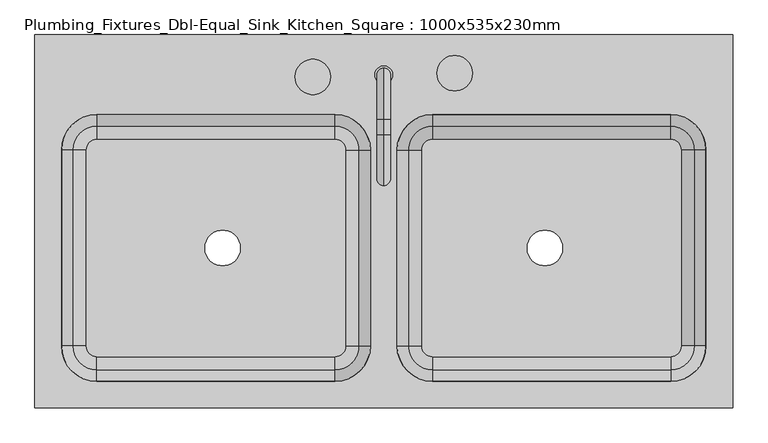
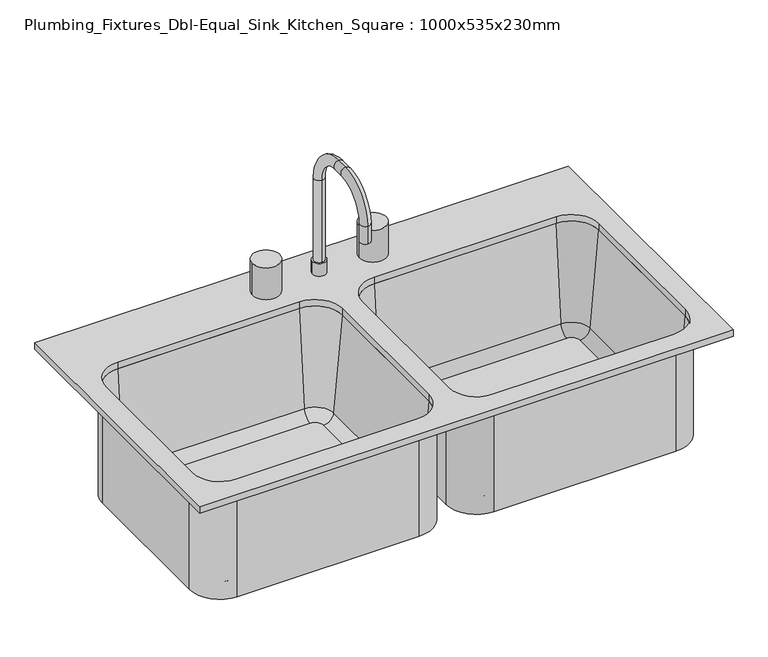
"""IFC4 building model written with IfcOpenShell, lengths in millimetres: flow terminal geometry, Plumbing_Fixtures_Dbl-Equal_Sink_Kitchen_Square : 1000x535x230mm."""

from ifc_helpers import new_model, si_unit, point, frame, frame_2d, origin, place, context, project, spatial, polyline, circle_curve, ellipse_curve, trimmed, segment, composite_curve, outline, extrude, source, transform, mapped, element, save
from ifc_brep_helpers import plane_surface, cylinder_surface, revolved_surface, advanced_brep


def plumbing_fixtures_dbl_equal_sink_kitchen_square_bc591ed5(model_context):
    return source(origin(), model_context, "Body", "SolidModel", [
        extrude(outline(polyline([(515.6892406, 269.8454011), (515.6892406, -265.1545989), (-484.3107594, -265.1545989), (-484.3107594, 269.8454011), (515.6892406, 269.8454011)]), holes=[composite_curve([segment(polyline([(-54.1607594, 155.5454011), (-395.4107594, 155.5454011)]), True, "CONTINUOUS"), segment(trimmed(circle_curve(frame_2d((-395.4107594, 104.7454011)), 50.8), [point((-395.4107594, 155.5454011))], [point((-446.2107594, 104.7454011))], True, "CARTESIAN"), True, "CONTINUOUS"), segment(polyline([(-446.2107594, 104.7454011), (-446.2107594, -176.2545989)]), True, "CONTINUOUS"), segment(trimmed(circle_curve(frame_2d((-395.4107594, -176.2545989)), 50.8), [point((-446.2107594, -176.2545989))], [point((-395.4107594, -227.0545989))], True, "CARTESIAN"), True, "CONTINUOUS"), segment(polyline([(-395.4107594, -227.0545989), (-54.1607594, -227.0545989)]), True, "CONTINUOUS"), segment(trimmed(circle_curve(frame_2d((-54.1607594, -176.2545989)), 50.8), [point((-54.1607594, -227.0545989))], [point((-3.3607594, -176.2545989))], True, "CARTESIAN"), True, "CONTINUOUS"), segment(polyline([(-3.3607594, -176.2545989), (-3.3607594, 104.7454011)]), True, "CONTINUOUS"), segment(trimmed(circle_curve(frame_2d((-54.1607594, 104.7454011)), 50.8), [point((-3.3607594, 104.7454011))], [point((-54.1607594, 155.5454011))], True, "CARTESIAN"), True, "CONTINUOUS")], self_intersect=False), composite_curve([segment(polyline([(85.5392406, -227.0545989), (426.7892406, -227.0545989)]), True, "CONTINUOUS"), segment(trimmed(circle_curve(frame_2d((426.7892406, -176.2545989)), 50.8), [point((426.7892406, -227.0545989))], [point((477.5892406, -176.2545989))], True, "CARTESIAN"), True, "CONTINUOUS"), segment(polyline([(477.5892406, -176.2545989), (477.5892406, 104.7454011)]), True, "CONTINUOUS"), segment(trimmed(circle_curve(frame_2d((426.7892406, 104.7454011)), 50.8), [point((477.5892406, 104.7454011))], [point((426.7892406, 155.5454011))], True, "CARTESIAN"), True, "CONTINUOUS"), segment(polyline([(426.7892406, 155.5454011), (85.5392406, 155.5454011)]), True, "CONTINUOUS"), segment(trimmed(circle_curve(frame_2d((85.5392406, 104.7454011)), 50.8), [point((85.5392406, 155.5454011))], [point((34.7392406, 104.7454011))], True, "CARTESIAN"), True, "CONTINUOUS"), segment(polyline([(34.7392406, 104.7454011), (34.7392406, -176.2545989)]), True, "CONTINUOUS"), segment(trimmed(circle_curve(frame_2d((85.5392406, -176.2545989)), 50.8), [point((34.7392406, -176.2545989))], [point((85.5392406, -227.0545989))], True, "CARTESIAN"), True, "CONTINUOUS")], self_intersect=False)]), frame((0.0, 0.0, 900.0), z_axis=(0.0, 0.0, 1.0), x_axis=(1.0, 0.0, 0.0)), (0.0, 0.0, 1.0), 12.7),
        extrude(outline(composite_curve([segment(trimmed(circle_curve(frame_2d((-85.9107594, 209.6166076)), 25.4), [point((-111.3107594, 209.6166076))], [point((-60.5107594, 209.6166076))], False, "CARTESIAN"), True, "CONTINUOUS"), segment(trimmed(circle_curve(frame_2d((-85.9107594, 209.6166076)), 25.4), [point((-60.5107594, 209.6166076))], [point((-111.3107594, 209.6166076))], False, "CARTESIAN"), True, "CONTINUOUS")], self_intersect=False)), frame((0.0, 0.0, 912.7), z_axis=(0.0, 0.0, 1.0), x_axis=(1.0, 0.0, 0.0)), (0.0, 0.0, 1.0), 63.5),
        extrude(outline(composite_curve([segment(trimmed(circle_curve(frame_2d((117.2892406, 214.8133323)), 25.4), [point((91.8892406, 214.8133323))], [point((142.6892406, 214.8133323))], False, "CARTESIAN"), True, "CONTINUOUS"), segment(trimmed(circle_curve(frame_2d((117.2892406, 214.8133323)), 25.4), [point((142.6892406, 214.8133323))], [point((91.8892406, 214.8133323))], False, "CARTESIAN"), True, "CONTINUOUS")], self_intersect=False)), frame((0.0, 0.0, 912.7), z_axis=(0.0, 0.0, 1.0), x_axis=(1.0, 0.0, 0.0)), (0.0, 0.0, 1.0), 63.5),
        advanced_brep(
        [(2.9892406, 212.6954011, 912.7), (28.3892406, 212.6954011, 912.7), (15.6892406, 222.2204011, 1100.025), (15.6892406, 203.1704011, 1100.025), (15.6892406, 203.1704011, 938.1), (15.6892406, 222.2204011, 938.1), (15.6892406, 149.1954011, 1173.05), (15.6892406, 149.1954011, 1154.0), (15.6892406, 126.9704011, 1173.05), (15.6892406, 126.9704011, 1154.0), (15.6892406, 53.9454011, 1100.025), (15.6892406, 72.9954011, 1100.025), (15.6892406, 53.9454011, 1065.1), (15.6892406, 72.9954011, 1065.1), (2.9892406, 212.6954011, 938.1), (28.3892406, 212.6954011, 938.1)],
        [
            (0, 1, circle_curve(frame((15.6892406, 212.6954011, 912.7), z_axis=(0.0, 0.0, -1.0), x_axis=(1.0, 0.0, 0.0)), 12.7)),
            (1, 0, circle_curve(frame((15.6892406, 212.6954011, 912.7), z_axis=(0.0, 0.0, -1.0), x_axis=(1.0, 0.0, 0.0)), 12.7)),
            (2, 3, circle_curve(frame((15.6892406, 212.6954011, 1100.025), z_axis=(0.0, 0.0, -1.0), x_axis=(0.0, -1.0, 0.0)), 9.525)),
            (3, 4),
            (4, 5, circle_curve(frame((15.6892406, 212.6954011, 938.1), z_axis=(0.0, 0.0, 1.0), x_axis=(0.0, -1.0, 0.0)), 9.525)),
            (5, 2),
            (3, 2, circle_curve(frame((15.6892406, 212.6954011, 1100.025), z_axis=(0.0, 0.0, -1.0), x_axis=(0.0, -1.0, 0.0)), 9.525)),
            (5, 4, circle_curve(frame((15.6892406, 212.6954011, 938.1), z_axis=(0.0, 0.0, 1.0), x_axis=(0.0, -1.0, 0.0)), 9.525)),
            (2, 6, circle_curve(frame((15.6892406, 149.1954011, 1100.025), z_axis=(1.0, 0.0, 0.0), x_axis=(0.0, 1.0, 0.0)), 73.025)),
            (6, 7, circle_curve(frame((15.6892406, 149.1954011, 1163.525), z_axis=(0.0, 1.0, 0.0), x_axis=(0.0, 0.0, -1.0)), 9.525)),
            (7, 3, circle_curve(frame((15.6892406, 149.1954011, 1100.025), z_axis=(-1.0, 0.0, 0.0), x_axis=(0.0, 1.0, 0.0)), 53.975)),
            (7, 6, circle_curve(frame((15.6892406, 149.1954011, 1163.525), z_axis=(0.0, 1.0, 0.0), x_axis=(0.0, 0.0, -1.0)), 9.525)),
            (6, 8),
            (8, 9, circle_curve(frame((15.6892406, 126.9704011, 1163.525), z_axis=(0.0, 1.0, 0.0), x_axis=(0.0, 0.0, -1.0)), 9.525)),
            (9, 7),
            (9, 8, circle_curve(frame((15.6892406, 126.9704011, 1163.525), z_axis=(0.0, 1.0, 0.0), x_axis=(0.0, 0.0, -1.0)), 9.525)),
            (8, 10, circle_curve(frame((15.6892406, 126.9704011, 1100.025), z_axis=(1.0, 0.0, 0.0), x_axis=(0.0, 0.0, 1.0)), 73.025)),
            (10, 11, circle_curve(frame((15.6892406, 63.4704011, 1100.025), z_axis=(0.0, 0.0, 1.0), x_axis=(0.0, 1.0, 0.0)), 9.525)),
            (11, 9, circle_curve(frame((15.6892406, 126.9704011, 1100.025), z_axis=(-1.0, 0.0, 0.0), x_axis=(0.0, 0.0, 1.0)), 53.975)),
            (11, 10, circle_curve(frame((15.6892406, 63.4704011, 1100.025), z_axis=(0.0, 0.0, 1.0), x_axis=(0.0, 1.0, 0.0)), 9.525)),
            (12, 13, circle_curve(frame((15.6892406, 63.4704011, 1065.1), z_axis=(0.0, 0.0, -1.0), x_axis=(0.0, 1.0, 0.0)), 9.525)),
            (13, 12, circle_curve(frame((15.6892406, 63.4704011, 1065.1), z_axis=(0.0, 0.0, -1.0), x_axis=(0.0, 1.0, 0.0)), 9.525)),
            (10, 12),
            (13, 11),
            (14, 15, circle_curve(frame((15.6892406, 212.6954011, 938.1), z_axis=(0.0, 0.0, 1.0), x_axis=(1.0, 0.0, 0.0)), 12.7)),
            (15, 14, circle_curve(frame((15.6892406, 212.6954011, 938.1), z_axis=(0.0, 0.0, 1.0), x_axis=(1.0, 0.0, 0.0)), 12.7)),
            (14, 0),
            (1, 15),
        ],
        [
            plane_surface(frame((15.6892406, 203.1704011, 912.7), z_axis=(0.0, 0.0, -1.0), x_axis=(1.0, 0.0, 0.0))),
            cylinder_surface(frame((15.6892406, 212.6954011, 912.7), z_axis=(0.0, 0.0, -1.0), x_axis=(0.0, -1.0, 0.0)), 9.525),
            revolved_surface(trimmed(ellipse_curve(frame((15.6892406, 212.6954011, 1100.025), z_axis=(0.0, 0.0, -1.0), x_axis=(0.0, -1.0, 0.0)), 9.525, 9.525), [point((15.6892406, 222.2204011, 1100.025))], [point((15.6892406, 203.1704011, 1100.025))], True, "CARTESIAN"), (15.6892406, 149.1954011, 1100.025), (1.0, 0.0, 0.0)),
            revolved_surface(trimmed(ellipse_curve(frame((15.6892406, 212.6954011, 1100.025), z_axis=(0.0, 0.0, -1.0), x_axis=(0.0, -1.0, 0.0)), 9.525, 9.525), [point((15.6892406, 203.1704011, 1100.025))], [point((15.6892406, 222.2204011, 1100.025))], True, "CARTESIAN"), (15.6892406, 149.1954011, 1100.025), (1.0, 0.0, 0.0)),
            cylinder_surface(frame((15.6892406, 149.1954011, 1163.525), z_axis=(0.0, 1.0, 0.0), x_axis=(0.0, 0.0, -1.0)), 9.525),
            revolved_surface(trimmed(ellipse_curve(frame((15.6892406, 126.9704011, 1163.525), z_axis=(0.0, 1.0, 0.0), x_axis=(0.0, 0.0, -1.0)), 9.525, 9.525), [point((15.6892406, 126.9704011, 1173.05))], [point((15.6892406, 126.9704011, 1154.0))], True, "CARTESIAN"), (15.6892406, 126.9704011, 1100.025), (1.0, 0.0, 0.0)),
            revolved_surface(trimmed(ellipse_curve(frame((15.6892406, 126.9704011, 1163.525), z_axis=(0.0, 1.0, 0.0), x_axis=(0.0, 0.0, -1.0)), 9.525, 9.525), [point((15.6892406, 126.9704011, 1154.0))], [point((15.6892406, 126.9704011, 1173.05))], True, "CARTESIAN"), (15.6892406, 126.9704011, 1100.025), (1.0, 0.0, 0.0)),
            plane_surface(frame((15.6892406, 53.9454011, 1065.1), z_axis=(0.0, 0.0, -1.0), x_axis=(-1.0, 0.0, 0.0))),
            cylinder_surface(frame((15.6892406, 63.4704011, 1100.025), z_axis=(0.0, 0.0, 1.0), x_axis=(0.0, 1.0, 0.0)), 9.525),
            plane_surface(frame((28.3892406, 212.6954011, 938.1), z_axis=(0.0, 0.0, 1.0), x_axis=(0.0, 1.0, 0.0))),
            cylinder_surface(frame((15.6892406, 212.6954011, 912.7), z_axis=(0.0, 0.0, 1.0), x_axis=(1.0, 0.0, 0.0)), 12.7),
        ],
        [
            (0, [[1, 2]]),
            (1, [[3, 4, 5, 6]]),
            (1, [[7, -6, 8, -4]]),
            (2, [[-3, 9, 10, 11]]),
            (3, [[-7, -11, 12, -9]]),
            (4, [[-10, 13, 14, 15]]),
            (4, [[-12, -15, 16, -13]]),
            (5, [[-14, 17, 18, 19]]),
            (6, [[-16, -19, 20, -17]]),
            (7, [[21, 22]]),
            (8, [[-18, 23, -22, 24]]),
            (8, [[-20, -24, -21, -23]]),
            (9, [[25, 26], [-5, -8]]),
            (10, [[-25, 27, -2, 28]]),
            (10, [[-26, -28, -1, -27]]),
        ],
    ),
        advanced_brep(
        [(-38.8723412, 104.7454011, 693.625), (-54.1607594, 120.0338193, 693.625), (-395.4107594, 120.0338193, 693.625), (-410.6991776, 104.7454011, 693.625), (-410.6991776, -176.2545989, 693.625), (-395.4107594, -191.5430171, 693.625), (-54.1607594, -191.5430171, 693.625), (-38.8723412, -176.2545989, 693.625), (-240.6607594, -35.7545989, 693.625), (-189.8607594, -35.7545989, 693.625), (-452.5607594, 104.7454011, 684.1), (-395.4107594, 161.8954011, 684.1), (-54.1607594, 161.8954011, 684.1), (2.9892406, 104.7454011, 684.1), (2.9892406, -176.2545989, 684.1), (-54.1607594, -233.4045989, 684.1), (-395.4107594, -233.4045989, 684.1), (-452.5607594, -176.2545989, 684.1), (-240.6607594, -35.7545989, 684.1), (-189.8607594, -35.7545989, 684.1), (-54.1607594, 161.8954011, 900.0), (2.9892406, 104.7454011, 900.0), (-19.8948322, 104.7454011, 711.0146831), (-54.1607594, 139.0113283, 711.0146831), (-3.3607594, 104.7454011, 900.0), (-54.1607594, 155.5454011, 900.0), (2.9892406, -176.2545989, 900.0), (-19.8948322, -176.2545989, 711.0146831), (-3.3607594, -176.2545989, 900.0), (-54.1607594, -233.4045989, 900.0), (-54.1607594, -210.5205261, 711.0146831), (-54.1607594, -227.0545989, 900.0), (-395.4107594, -233.4045989, 900.0), (-395.4107594, -210.5205261, 711.0146831), (-395.4107594, -227.0545989, 900.0), (-452.5607594, -176.2545989, 900.0), (-429.6766866, -176.2545989, 711.0146831), (-446.2107594, -176.2545989, 900.0), (-452.5607594, 104.7454011, 900.0), (-429.6766866, 104.7454011, 711.0146831), (-446.2107594, 104.7454011, 900.0), (-395.4107594, 161.8954011, 900.0), (-395.4107594, 139.0113283, 711.0146831), (-395.4107594, 155.5454011, 900.0)],
        [
            (0, 1, circle_curve(frame((-54.1607594, 104.7454011, 693.625), z_axis=(0.0, 0.0, 1.0), x_axis=(0.0, 1.0, 0.0)), 15.2884182)),
            (1, 2),
            (2, 3, circle_curve(frame((-395.4107594, 104.7454011, 693.625), z_axis=(0.0, 0.0, 1.0), x_axis=(-1.0, 0.0, 0.0)), 15.2884182)),
            (3, 4),
            (4, 5, circle_curve(frame((-395.4107594, -176.2545989, 693.625), z_axis=(0.0, 0.0, 1.0), x_axis=(0.0, -1.0, 0.0)), 15.2884182)),
            (5, 6),
            (6, 7, circle_curve(frame((-54.1607594, -176.2545989, 693.625), z_axis=(0.0, 0.0, 1.0), x_axis=(1.0, 0.0, 0.0)), 15.2884182)),
            (7, 0),
            (8, 9, circle_curve(frame((-215.2607594, -35.7545989, 693.625), z_axis=(0.0, 0.0, -1.0), x_axis=(1.0, 0.0, 0.0)), 25.4)),
            (9, 8, circle_curve(frame((-215.2607594, -35.7545989, 693.625), z_axis=(0.0, 0.0, -1.0), x_axis=(1.0, 0.0, 0.0)), 25.4)),
            (10, 11, circle_curve(frame((-395.4107594, 104.7454011, 684.1), z_axis=(0.0, 0.0, -1.0), x_axis=(-1.0, 0.0, 0.0)), 57.15)),
            (11, 12),
            (12, 13, circle_curve(frame((-54.1607594, 104.7454011, 684.1), z_axis=(0.0, 0.0, -1.0), x_axis=(0.0, 1.0, 0.0)), 57.15)),
            (13, 14),
            (14, 15, circle_curve(frame((-54.1607594, -176.2545989, 684.1), z_axis=(0.0, 0.0, -1.0), x_axis=(1.0, 0.0, 0.0)), 57.15)),
            (15, 16),
            (16, 17, circle_curve(frame((-395.4107594, -176.2545989, 684.1), z_axis=(0.0, 0.0, -1.0), x_axis=(0.0, -1.0, 0.0)), 57.15)),
            (17, 10),
            (18, 19, circle_curve(frame((-215.2607594, -35.7545989, 684.1), z_axis=(0.0, 0.0, 1.0), x_axis=(1.0, 0.0, 0.0)), 25.4)),
            (19, 18, circle_curve(frame((-215.2607594, -35.7545989, 684.1), z_axis=(0.0, 0.0, 1.0), x_axis=(1.0, 0.0, 0.0)), 25.4)),
            (8, 18),
            (19, 9),
            (12, 20),
            (20, 21, circle_curve(frame((-54.1607594, 104.7454011, 900.0), z_axis=(0.0, 0.0, -1.0), x_axis=(0.0, 1.0, 0.0)), 57.15)),
            (21, 13),
            (0, 22, circle_curve(frame((-38.8723412, 104.7454011, 712.675), z_axis=(0.0, -1.0, 0.0), x_axis=(1.0, 0.0, 0.0)), 19.05)),
            (22, 23, circle_curve(frame((-54.1607594, 104.7454011, 711.0146831), z_axis=(0.0, 0.0, 1.0), x_axis=(0.0, 1.0, 0.0)), 34.2659272)),
            (23, 1, circle_curve(frame((-54.1607594, 120.0338193, 712.675), z_axis=(-1.0, 0.0, 0.0), x_axis=(0.0, 1.0, 0.0)), 19.05)),
            (22, 24),
            (24, 25, circle_curve(frame((-54.1607594, 104.7454011, 900.0), z_axis=(0.0, 0.0, 1.0), x_axis=(0.0, 1.0, 0.0)), 50.8)),
            (25, 23),
            (20, 25),
            (24, 21),
            (21, 26),
            (26, 14),
            (7, 27, circle_curve(frame((-38.8723412, -176.2545989, 712.675), z_axis=(0.0, -1.0, 0.0), x_axis=(1.0, 0.0, 0.0)), 19.05)),
            (27, 22),
            (27, 28),
            (28, 24),
            (28, 26),
            (26, 29, circle_curve(frame((-54.1607594, -176.2545989, 900.0), z_axis=(0.0, 0.0, -1.0), x_axis=(1.0, 0.0, 0.0)), 57.15)),
            (29, 15),
            (6, 30, circle_curve(frame((-54.1607594, -191.5430171, 712.675), z_axis=(-1.0, 0.0, 0.0), x_axis=(0.0, -1.0, 0.0)), 19.05)),
            (30, 27, circle_curve(frame((-54.1607594, -176.2545989, 711.0146831), z_axis=(0.0, 0.0, 1.0), x_axis=(1.0, 0.0, 0.0)), 34.2659272)),
            (30, 31),
            (31, 28, circle_curve(frame((-54.1607594, -176.2545989, 900.0), z_axis=(0.0, 0.0, 1.0), x_axis=(1.0, 0.0, 0.0)), 50.8)),
            (31, 29),
            (29, 32),
            (32, 16),
            (5, 33, circle_curve(frame((-395.4107594, -191.5430171, 712.675), z_axis=(-1.0, 0.0, 0.0), x_axis=(0.0, -1.0, 0.0)), 19.05)),
            (33, 30),
            (33, 34),
            (34, 31),
            (34, 32),
            (32, 35, circle_curve(frame((-395.4107594, -176.2545989, 900.0), z_axis=(0.0, 0.0, -1.0), x_axis=(0.0, -1.0, 0.0)), 57.15)),
            (35, 17),
            (4, 36, circle_curve(frame((-410.6991776, -176.2545989, 712.675), z_axis=(0.0, 1.0, 0.0), x_axis=(-1.0, 0.0, 0.0)), 19.05)),
            (36, 33, circle_curve(frame((-395.4107594, -176.2545989, 711.0146831), z_axis=(0.0, 0.0, 1.0), x_axis=(0.0, -1.0, 0.0)), 34.2659272)),
            (36, 37),
            (37, 34, circle_curve(frame((-395.4107594, -176.2545989, 900.0), z_axis=(0.0, 0.0, 1.0), x_axis=(0.0, -1.0, 0.0)), 50.8)),
            (37, 35),
            (35, 38),
            (38, 10),
            (3, 39, circle_curve(frame((-410.6991776, 104.7454011, 712.675), z_axis=(0.0, 1.0, 0.0), x_axis=(-1.0, 0.0, 0.0)), 19.05)),
            (39, 36),
            (39, 40),
            (40, 37),
            (40, 38),
            (38, 41, circle_curve(frame((-395.4107594, 104.7454011, 900.0), z_axis=(0.0, 0.0, -1.0), x_axis=(-1.0, 0.0, 0.0)), 57.15)),
            (41, 11),
            (2, 42, circle_curve(frame((-395.4107594, 120.0338193, 712.675), z_axis=(1.0, 0.0, 0.0), x_axis=(0.0, 1.0, 0.0)), 19.05)),
            (42, 39, circle_curve(frame((-395.4107594, 104.7454011, 711.0146831), z_axis=(0.0, 0.0, 1.0), x_axis=(-1.0, 0.0, 0.0)), 34.2659272)),
            (42, 43),
            (43, 40, circle_curve(frame((-395.4107594, 104.7454011, 900.0), z_axis=(0.0, 0.0, 1.0), x_axis=(-1.0, 0.0, 0.0)), 50.8)),
            (43, 41),
            (41, 20),
            (23, 42),
            (25, 43),
        ],
        [
            plane_surface(frame((-395.4107594, 117.4454011, 693.625), z_axis=(0.0, 0.0, 1.0), x_axis=(-1.0, 0.0, 0.0))),
            plane_surface(frame((-395.4107594, 117.4454011, 684.1), z_axis=(0.0, 0.0, -1.0), x_axis=(1.0, 0.0, 0.0))),
            revolved_surface(polyline([(-189.8607594, -35.7545989, 684.1), (-189.8607594, -35.7545989, 693.625)]), (-215.2607594, -35.7545989, 0.0), (0.0, 0.0, -1.0)),
            cylinder_surface(frame((-54.1607594, 104.7454011, 0.0), z_axis=(0.0, 0.0, -1.0), x_axis=(0.0, 1.0, 0.0)), 57.15),
            revolved_surface(trimmed(ellipse_curve(frame((-54.1607594, 120.0338193, 712.675), z_axis=(1.0, 0.0, 0.0), x_axis=(0.0, 1.0, 0.0)), 19.05, 19.05), [point((-54.1607594, 120.0338193, 693.625))], [point((-54.1607594, 139.0113283, 711.0146831))], True, "CARTESIAN"), (-54.1607594, 104.7454011, 0.0), (0.0, 0.0, -1.0)),
            revolved_surface(polyline([(-54.1607594, 139.0113283, 711.0146831), (-54.1607594, 155.5454011, 900.0)]), (-54.1607594, 104.7454011, 0.0), (0.0, 0.0, -1.0)),
            plane_surface(frame((-54.1607594, 104.7454011, 900.0), z_axis=(0.0, 0.0, 1.0), x_axis=(0.0, 1.0, 0.0))),
            plane_surface(frame((2.9892406, 104.7454011, 900.0), z_axis=(1.0, 0.0, 0.0), x_axis=(0.0, -1.0, 0.0))),
            revolved_surface(polyline([(-19.8223412, -176.25459890000002, 712.675), (-19.8223412, 104.7454011, 712.675)]), (-38.8723412, 104.7454011, 712.675), (0.0, -1.0, 0.0)),
            plane_surface(frame((-19.8948322, 104.7454011, 711.0146831), z_axis=(-0.9961946980917439, 0.0, 0.08715574274767772), x_axis=(0.0, -1.0, 0.0))),
            plane_surface(frame((-3.3607594, 104.7454011, 900.0), z_axis=(0.0, 0.0, 1.0), x_axis=(0.0, -1.0, 0.0))),
            cylinder_surface(frame((-54.1607594, -176.2545989, 0.0), z_axis=(0.0, 0.0, -1.0), x_axis=(1.0, 0.0, 0.0)), 57.15),
            revolved_surface(trimmed(ellipse_curve(frame((-38.8723412, -176.2545989, 712.675), z_axis=(0.0, -1.0, 0.0), x_axis=(1.0, 0.0, 0.0)), 19.05, 19.05), [point((-38.8723412, -176.2545989, 693.625))], [point((-19.8948322, -176.2545989, 711.0146831))], True, "CARTESIAN"), (-54.1607594, -176.2545989, 0.0), (0.0, 0.0, -1.0)),
            revolved_surface(polyline([(-19.8948322, -176.2545989, 711.0146831), (-3.3607594, -176.2545989, 900.0)]), (-54.1607594, -176.2545989, 0.0), (0.0, 0.0, -1.0)),
            plane_surface(frame((-54.1607594, -176.2545989, 900.0), z_axis=(0.0, 0.0, 1.0), x_axis=(1.0, 0.0, 0.0))),
            plane_surface(frame((-54.1607594, -233.4045989, 900.0), z_axis=(0.0, -1.0, 0.0), x_axis=(-1.0, 0.0, 0.0))),
            revolved_surface(polyline([(-395.4107594, -210.5930171, 712.675), (-54.1607594, -210.5930171, 712.675)]), (-54.1607594, -191.5430171, 712.675), (-1.0, 0.0, 0.0)),
            plane_surface(frame((-54.1607594, -210.5205261, 711.0146831), z_axis=(0.0, 0.9961946980917439, 0.08715574274767772), x_axis=(-1.0, 0.0, 0.0))),
            plane_surface(frame((-54.1607594, -227.0545989, 900.0), z_axis=(0.0, 0.0, 1.0), x_axis=(-1.0, 0.0, 0.0))),
            cylinder_surface(frame((-395.4107594, -176.2545989, 0.0), z_axis=(0.0, 0.0, -1.0), x_axis=(0.0, -1.0, 0.0)), 57.15),
            revolved_surface(trimmed(ellipse_curve(frame((-395.4107594, -191.5430171, 712.675), z_axis=(-1.0, 0.0, 0.0), x_axis=(0.0, -1.0, 0.0)), 19.05, 19.05), [point((-395.4107594, -191.5430171, 693.625))], [point((-395.4107594, -210.5205261, 711.0146831))], True, "CARTESIAN"), (-395.4107594, -176.2545989, 0.0), (0.0, 0.0, -1.0)),
            revolved_surface(polyline([(-395.4107594, -210.5205261, 711.0146831), (-395.4107594, -227.0545989, 900.0)]), (-395.4107594, -176.2545989, 0.0), (0.0, 0.0, -1.0)),
            plane_surface(frame((-395.4107594, -176.2545989, 900.0), z_axis=(0.0, 0.0, 1.0), x_axis=(0.0, -1.0, 0.0))),
            plane_surface(frame((-452.5607594, -176.2545989, 900.0), z_axis=(-1.0, 0.0, 0.0), x_axis=(0.0, 1.0, 0.0))),
            revolved_surface(polyline([(-429.7491776, 104.74540110000001, 712.675), (-429.7491776, -176.2545989, 712.675)]), (-410.6991776, -176.2545989, 712.675), (0.0, 1.0, 0.0)),
            plane_surface(frame((-429.6766866, -176.2545989, 711.0146831), z_axis=(0.9961946980917439, 0.0, 0.08715574274767772), x_axis=(0.0, 1.0, 0.0))),
            plane_surface(frame((-446.2107594, -176.2545989, 900.0), z_axis=(0.0, 0.0, 1.0), x_axis=(0.0, 1.0, 0.0))),
            cylinder_surface(frame((-395.4107594, 104.7454011, 0.0), z_axis=(0.0, 0.0, -1.0), x_axis=(-1.0, 0.0, 0.0)), 57.15),
            revolved_surface(trimmed(ellipse_curve(frame((-410.6991776, 104.7454011, 712.675), z_axis=(0.0, 1.0, 0.0), x_axis=(-1.0, 0.0, 0.0)), 19.05, 19.05), [point((-410.6991776, 104.7454011, 693.625))], [point((-429.6766866, 104.7454011, 711.0146831))], True, "CARTESIAN"), (-395.4107594, 104.7454011, 0.0), (0.0, 0.0, -1.0)),
            revolved_surface(polyline([(-429.6766866, 104.7454011, 711.0146831), (-446.2107594, 104.7454011, 900.0)]), (-395.4107594, 104.7454011, 0.0), (0.0, 0.0, -1.0)),
            plane_surface(frame((-395.4107594, 104.7454011, 900.0), z_axis=(0.0, 0.0, 1.0), x_axis=(-1.0, 0.0, 0.0))),
            plane_surface(frame((-395.4107594, 161.8954011, 900.0), z_axis=(0.0, 1.0, 0.0), x_axis=(1.0, 0.0, 0.0))),
            revolved_surface(polyline([(-54.16075940000002, 139.08381930000002, 712.675), (-395.4107594, 139.08381930000002, 712.675)]), (-395.4107594, 120.0338193, 712.675), (1.0, 0.0, 0.0)),
            plane_surface(frame((-395.4107594, 139.0113283, 711.0146831), z_axis=(0.0, -0.9961946980917439, 0.08715574274767772), x_axis=(1.0, 0.0, 0.0))),
            plane_surface(frame((-395.4107594, 155.5454011, 900.0), z_axis=(0.0, 0.0, 1.0), x_axis=(1.0, 0.0, 0.0))),
        ],
        [
            (0, [[1, 2, 3, 4, 5, 6, 7, 8], [9, 10]]),
            (1, [[11, 12, 13, 14, 15, 16, 17, 18], [19, 20]]),
            (2, [[-9, 21, -20, 22]]),
            (2, [[-10, -22, -19, -21]]),
            (3, [[-13, 23, 24, 25]]),
            (4, [[-1, 26, 27, 28]]),
            (5, [[-27, 29, 30, 31]]),
            (6, [[-24, 32, -30, 33]]),
            (7, [[-25, 34, 35, -14]]),
            (8, [[-26, -8, 36, 37]]),
            (9, [[-29, -37, 38, 39]]),
            (10, [[-33, -39, 40, -34]]),
            (11, [[-35, 41, 42, -15]]),
            (12, [[-36, -7, 43, 44]]),
            (13, [[-38, -44, 45, 46]]),
            (14, [[-40, -46, 47, -41]]),
            (15, [[-42, 48, 49, -16]]),
            (16, [[-43, -6, 50, 51]]),
            (17, [[-45, -51, 52, 53]]),
            (18, [[-47, -53, 54, -48]]),
            (19, [[-49, 55, 56, -17]]),
            (20, [[-50, -5, 57, 58]]),
            (21, [[-52, -58, 59, 60]]),
            (22, [[-54, -60, 61, -55]]),
            (23, [[-56, 62, 63, -18]]),
            (24, [[-57, -4, 64, 65]]),
            (25, [[-59, -65, 66, 67]]),
            (26, [[-61, -67, 68, -62]]),
            (27, [[-63, 69, 70, -11]]),
            (28, [[-64, -3, 71, 72]]),
            (29, [[-66, -72, 73, 74]]),
            (30, [[-68, -74, 75, -69]]),
            (31, [[-23, -12, -70, 76]]),
            (32, [[-28, 77, -71, -2]]),
            (33, [[-31, 78, -73, -77]]),
            (34, [[-32, -76, -75, -78]]),
        ],
    ),
        advanced_brep(
        [(426.7892303, 120.0338193, 693.625), (85.5392406, 120.0338193, 693.625), (70.2508224, 104.7454011, 693.625), (70.2508224, -176.2545989, 693.625), (85.5392406, -191.5430171, 693.625), (426.7892406, -191.5430171, 693.625), (442.0776588, -176.2545989, 693.625), (442.0776588, 104.7454011, 693.625), (221.2392406, -35.7545989, 693.625), (272.0392406, -35.7545989, 693.625), (28.3892406, 104.7454011, 684.1), (85.5392406, 161.8954011, 684.1), (426.7892406, 161.8954011, 684.1), (483.9392406, 104.7454011, 684.1), (483.9392406, -176.2545989, 684.1), (426.7892406, -233.4045989, 684.1), (85.5392406, -233.4045989, 684.1), (28.3892406, -176.2545989, 684.1), (221.2392406, -35.7545989, 684.1), (272.0392406, -35.7545989, 684.1), (34.7392406, 104.7454011, 900.0), (85.5392406, 155.5454011, 900.0), (85.5392406, 161.8954011, 900.0), (28.3892406, 104.7454011, 900.0), (51.2733134, 104.7454011, 711.0146831), (85.5392406, 139.0113283, 711.0146831), (28.3892406, -176.2545989, 900.0), (34.7392406, -176.2545989, 900.0), (51.2733134, -176.2545989, 711.0146831), (85.5392406, -233.4045989, 900.0), (85.5392406, -227.0545989, 900.0), (85.5392406, -210.5205261, 711.0146831), (426.7892406, -233.4045989, 900.0), (426.7892406, -227.0545989, 900.0), (426.7892406, -210.5205261, 711.0146831), (483.9392406, -176.2545989, 900.0), (477.5892406, -176.2545989, 900.0), (461.0551678, -176.2545989, 711.0146831), (483.9392406, 104.7454011, 900.0), (477.5892406, 104.7454011, 900.0), (461.0551678, 104.7454011, 711.0146831), (426.7892406, 161.8954011, 900.0), (426.7892406, 155.5454011, 900.0), (426.7892406, 139.0113283, 711.0146831)],
        [
            (0, 1),
            (1, 2, circle_curve(frame((85.5392406, 104.7454011, 693.625), z_axis=(0.0, 0.0, 1.0), x_axis=(0.0, 1.0, 0.0)), 15.2884182)),
            (2, 3),
            (3, 4, circle_curve(frame((85.5392406, -176.2545989, 693.625), z_axis=(0.0, 0.0, 1.0), x_axis=(-1.0, 0.0, 0.0)), 15.2884182)),
            (4, 5),
            (5, 6, circle_curve(frame((426.7892406, -176.2545989, 693.625), z_axis=(0.0, 0.0, 1.0), x_axis=(0.0, -1.0, 0.0)), 15.2884182)),
            (6, 7),
            (7, 0, circle_curve(frame((426.7892406, 104.7454011, 693.625), z_axis=(0.0, 0.0, 1.0), x_axis=(1.0, 0.0, 0.0)), 15.2884182)),
            (8, 9, circle_curve(frame((246.6392406, -35.7545989, 693.625), z_axis=(0.0, 0.0, -1.0), x_axis=(1.0, 0.0, 0.0)), 25.4)),
            (9, 8, circle_curve(frame((246.6392406, -35.7545989, 693.625), z_axis=(0.0, 0.0, -1.0), x_axis=(1.0, 0.0, 0.0)), 25.4)),
            (10, 11, circle_curve(frame((85.5392406, 104.7454011, 684.1), z_axis=(0.0, 0.0, -1.0), x_axis=(0.0, 1.0, 0.0)), 57.15)),
            (11, 12),
            (12, 13, circle_curve(frame((426.7892406, 104.7454011, 684.1), z_axis=(0.0, 0.0, -1.0), x_axis=(1.0, 0.0, 0.0)), 57.15)),
            (13, 14),
            (14, 15, circle_curve(frame((426.7892406, -176.2545989, 684.1), z_axis=(0.0, 0.0, -1.0), x_axis=(0.0, -1.0, 0.0)), 57.15)),
            (15, 16),
            (16, 17, circle_curve(frame((85.5392406, -176.2545989, 684.1), z_axis=(0.0, 0.0, -1.0), x_axis=(-1.0, 0.0, 0.0)), 57.15)),
            (17, 10),
            (18, 19, circle_curve(frame((246.6392406, -35.7545989, 684.1), z_axis=(0.0, 0.0, 1.0), x_axis=(1.0, 0.0, 0.0)), 25.4)),
            (19, 18, circle_curve(frame((246.6392406, -35.7545989, 684.1), z_axis=(0.0, 0.0, 1.0), x_axis=(1.0, 0.0, 0.0)), 25.4)),
            (8, 18),
            (19, 9),
            (20, 21, circle_curve(frame((85.5392406, 104.7454011, 900.0), z_axis=(0.0, 0.0, -1.0), x_axis=(0.0, 1.0, 0.0)), 50.8)),
            (21, 22),
            (22, 23, circle_curve(frame((85.5392406, 104.7454011, 900.0), z_axis=(0.0, 0.0, 1.0), x_axis=(0.0, 1.0, 0.0)), 57.15)),
            (23, 20),
            (20, 24),
            (24, 25, circle_curve(frame((85.5392406, 104.7454011, 711.0146831), z_axis=(0.0, 0.0, -1.0), x_axis=(0.0, 1.0, 0.0)), 34.2659272)),
            (25, 21),
            (24, 2, circle_curve(frame((70.2508224, 104.7454011, 712.675), z_axis=(0.0, -1.0, 0.0), x_axis=(1.0, 0.0, 0.0)), 19.05)),
            (1, 25, circle_curve(frame((85.5392406, 120.0338193, 712.675), z_axis=(1.0, 0.0, 0.0), x_axis=(0.0, -1.0, 0.0)), 19.05)),
            (22, 11),
            (10, 23),
            (23, 26),
            (26, 27),
            (27, 20),
            (27, 28),
            (28, 24),
            (28, 3, circle_curve(frame((70.2508224, -176.2545989, 712.675), z_axis=(0.0, -1.0, 0.0), x_axis=(1.0, 0.0, 0.0)), 19.05)),
            (17, 26),
            (26, 29, circle_curve(frame((85.5392406, -176.2545989, 900.0), z_axis=(0.0, 0.0, 1.0), x_axis=(-1.0, 0.0, 0.0)), 57.15)),
            (29, 30),
            (30, 27, circle_curve(frame((85.5392406, -176.2545989, 900.0), z_axis=(0.0, 0.0, -1.0), x_axis=(-1.0, 0.0, 0.0)), 50.8)),
            (30, 31),
            (31, 28, circle_curve(frame((85.5392406, -176.2545989, 711.0146831), z_axis=(0.0, 0.0, -1.0), x_axis=(-1.0, 0.0, 0.0)), 34.2659272)),
            (31, 4, circle_curve(frame((85.5392406, -191.5430171, 712.675), z_axis=(1.0, 0.0, 0.0), x_axis=(0.0, 1.0, 0.0)), 19.05)),
            (16, 29),
            (29, 32),
            (32, 33),
            (33, 30),
            (33, 34),
            (34, 31),
            (34, 5, circle_curve(frame((426.7892406, -191.5430171, 712.675), z_axis=(1.0, 0.0, 0.0), x_axis=(0.0, 1.0, 0.0)), 19.05)),
            (15, 32),
            (32, 35, circle_curve(frame((426.7892406, -176.2545989, 900.0), z_axis=(0.0, 0.0, 1.0), x_axis=(0.0, -1.0, 0.0)), 57.15)),
            (35, 36),
            (36, 33, circle_curve(frame((426.7892406, -176.2545989, 900.0), z_axis=(0.0, 0.0, -1.0), x_axis=(0.0, -1.0, 0.0)), 50.8)),
            (36, 37),
            (37, 34, circle_curve(frame((426.7892406, -176.2545989, 711.0146831), z_axis=(0.0, 0.0, -1.0), x_axis=(0.0, -1.0, 0.0)), 34.2659272)),
            (37, 6, circle_curve(frame((442.0776588, -176.2545989, 712.675), z_axis=(0.0, 1.0, 0.0), x_axis=(-1.0, 0.0, 0.0)), 19.05)),
            (14, 35),
            (35, 38),
            (38, 39),
            (39, 36),
            (39, 40),
            (40, 37),
            (40, 7, circle_curve(frame((442.0776588, 104.7454011, 712.675), z_axis=(0.0, 1.0, 0.0), x_axis=(-1.0, 0.0, 0.0)), 19.05)),
            (13, 38),
            (38, 41, circle_curve(frame((426.7892406, 104.7454011, 900.0), z_axis=(0.0, 0.0, 1.0), x_axis=(1.0, 0.0, 0.0)), 57.15)),
            (41, 42),
            (42, 39, circle_curve(frame((426.7892406, 104.7454011, 900.0), z_axis=(0.0, 0.0, -1.0), x_axis=(1.0, 0.0, 0.0)), 50.8)),
            (42, 43),
            (43, 40, circle_curve(frame((426.7892406, 104.7454011, 711.0146831), z_axis=(0.0, 0.0, -1.0), x_axis=(1.0, 0.0, 0.0)), 34.2659272)),
            (43, 0, circle_curve(frame((426.7892406, 120.0338193, 712.675), z_axis=(-1.0, 0.0, 0.0), x_axis=(0.0, -1.0, 0.0)), 19.05)),
            (12, 41),
            (21, 42),
            (41, 22),
            (25, 43),
        ],
        [
            plane_surface(frame((85.5392406, 120.0338193, 693.625), z_axis=(0.0, 0.0, 1.0), x_axis=(-1.0, 0.0, 0.0))),
            plane_surface(frame((85.5392406, 120.0338193, 684.1), z_axis=(0.0, 0.0, -1.0), x_axis=(1.0, 0.0, 0.0))),
            revolved_surface(polyline([(272.03924059999997, -35.7545989, 684.1), (272.03924059999997, -35.7545989, 693.625)]), (246.6392406, -35.7545989, 0.0), (0.0, 0.0, -1.0)),
            plane_surface(frame((85.5392406, 104.7454011, 900.0), z_axis=(0.0, 0.0, 1.0), x_axis=(0.0, 1.0, 0.0))),
            revolved_surface(polyline([(85.5392406, 155.5454011, 900.0), (85.5392406, 139.0113283, 711.0146831)]), (85.5392406, 104.7454011, 0.0), (0.0, 0.0, 1.0)),
            revolved_surface(trimmed(ellipse_curve(frame((85.5392406, 120.0338193, 712.675), z_axis=(-1.0, 0.0, 0.0), x_axis=(0.0, -1.0, 0.0)), 19.05, 19.05), [point((85.5392406, 139.0113283, 711.0146831))], [point((85.5392406, 120.0338193, 693.625))], True, "CARTESIAN"), (85.5392406, 104.7454011, 0.0), (0.0, 0.0, 1.0)),
            cylinder_surface(frame((85.5392406, 104.7454011, 0.0), z_axis=(0.0, 0.0, 1.0), x_axis=(0.0, 1.0, 0.0)), 57.15),
            plane_surface(frame((28.3892406, 104.7454011, 900.0), z_axis=(0.0, 0.0, 1.0), x_axis=(0.0, -1.0, 0.0))),
            plane_surface(frame((34.7392406, 104.7454011, 900.0), z_axis=(0.996194698091745, 0.0, 0.08715574274766558), x_axis=(0.0, -1.0, 0.0))),
            revolved_surface(polyline([(89.3008224, -176.25459890000002, 712.675), (89.3008224, 104.7454011, 712.675)]), (70.2508224, 104.7454011, 712.675), (0.0, -1.0, 0.0)),
            plane_surface(frame((28.3892406, 104.7454011, 684.1), z_axis=(-1.0, 0.0, 0.0), x_axis=(0.0, -1.0, 0.0))),
            plane_surface(frame((85.5392406, -176.2545989, 900.0), z_axis=(0.0, 0.0, 1.0), x_axis=(-1.0, 0.0, 0.0))),
            revolved_surface(polyline([(34.7392406, -176.2545989, 900.0), (51.2733134, -176.2545989, 711.0146831)]), (85.5392406, -176.2545989, 0.0), (0.0, 0.0, 1.0)),
            revolved_surface(trimmed(ellipse_curve(frame((70.2508224, -176.2545989, 712.675), z_axis=(0.0, -1.0, 0.0), x_axis=(1.0, 0.0, 0.0)), 19.05, 19.05), [point((51.2733134, -176.2545989, 711.0146831))], [point((70.2508224, -176.2545989, 693.625))], True, "CARTESIAN"), (85.5392406, -176.2545989, 0.0), (0.0, 0.0, 1.0)),
            cylinder_surface(frame((85.5392406, -176.2545989, 0.0), z_axis=(0.0, 0.0, 1.0), x_axis=(-1.0, 0.0, 0.0)), 57.15),
            plane_surface(frame((85.5392406, -233.4045989, 900.0), z_axis=(0.0, 0.0, 1.0), x_axis=(1.0, 0.0, 0.0))),
            plane_surface(frame((85.5392406, -227.0545989, 900.0), z_axis=(0.0, 0.996194698091745, 0.08715574274766558), x_axis=(1.0, 0.0, 0.0))),
            revolved_surface(polyline([(426.78924059999997, -172.49301709999997, 712.675), (85.5392406, -172.49301709999997, 712.675)]), (85.5392406, -191.5430171, 712.675), (1.0, 0.0, 0.0)),
            plane_surface(frame((85.5392406, -233.4045989, 684.1), z_axis=(0.0, -1.0, 0.0), x_axis=(1.0, 0.0, 0.0))),
            plane_surface(frame((426.7892406, -176.2545989, 900.0), z_axis=(0.0, 0.0, 1.0), x_axis=(0.0, -1.0, 0.0))),
            revolved_surface(polyline([(426.7892406, -227.0545989, 900.0), (426.7892406, -210.5205261, 711.0146831)]), (426.7892406, -176.2545989, 0.0), (0.0, 0.0, 1.0)),
            revolved_surface(trimmed(ellipse_curve(frame((426.7892406, -191.5430171, 712.675), z_axis=(1.0, 0.0, 0.0), x_axis=(0.0, 1.0, 0.0)), 19.05, 19.05), [point((426.7892406, -210.5205261, 711.0146831))], [point((426.7892406, -191.5430171, 693.625))], True, "CARTESIAN"), (426.7892406, -176.2545989, 0.0), (0.0, 0.0, 1.0)),
            cylinder_surface(frame((426.7892406, -176.2545989, 0.0), z_axis=(0.0, 0.0, 1.0), x_axis=(0.0, -1.0, 0.0)), 57.15),
            plane_surface(frame((483.9392406, -176.2545989, 900.0), z_axis=(0.0, 0.0, 1.0), x_axis=(0.0, 1.0, 0.0))),
            plane_surface(frame((477.5892406, -176.2545989, 900.0), z_axis=(-0.996194698091745, 0.0, 0.08715574274766558), x_axis=(0.0, 1.0, 0.0))),
            revolved_surface(polyline([(423.0276588, 104.74540110000001, 712.675), (423.0276588, -176.2545989, 712.675)]), (442.0776588, -176.2545989, 712.675), (0.0, 1.0, 0.0)),
            plane_surface(frame((483.9392406, -176.2545989, 684.1), z_axis=(1.0, 0.0, 0.0), x_axis=(0.0, 1.0, 0.0))),
            plane_surface(frame((426.7892406, 104.7454011, 900.0), z_axis=(0.0, 0.0, 1.0), x_axis=(1.0, 0.0, 0.0))),
            revolved_surface(polyline([(477.5892406, 104.7454011, 900.0), (461.0551678, 104.7454011, 711.0146831)]), (426.7892406, 104.7454011, 0.0), (0.0, 0.0, 1.0)),
            revolved_surface(trimmed(ellipse_curve(frame((442.0776588, 104.7454011, 712.675), z_axis=(0.0, 1.0, 0.0), x_axis=(-1.0, 0.0, 0.0)), 19.05, 19.05), [point((461.0551678, 104.7454011, 711.0146831))], [point((442.0776588, 104.7454011, 693.625))], True, "CARTESIAN"), (426.7892406, 104.7454011, 0.0), (0.0, 0.0, 1.0)),
            cylinder_surface(frame((426.7892406, 104.7454011, 0.0), z_axis=(0.0, 0.0, 1.0), x_axis=(1.0, 0.0, 0.0)), 57.15),
            plane_surface(frame((426.7892406, 161.8954011, 900.0), z_axis=(0.0, 0.0, 1.0), x_axis=(-1.0, 0.0, 0.0))),
            plane_surface(frame((426.7892406, 155.5454011, 900.0), z_axis=(0.0, -0.996194698091745, 0.08715574274766558), x_axis=(-1.0, 0.0, 0.0))),
            revolved_surface(polyline([(85.53924060000003, 100.98381930000001, 712.675), (426.7892406, 100.98381930000001, 712.675)]), (426.7892406, 120.0338193, 712.675), (-1.0, 0.0, 0.0)),
            plane_surface(frame((426.7892406, 161.8954011, 684.1), z_axis=(0.0, 1.0, 0.0), x_axis=(-1.0, 0.0, 0.0))),
        ],
        [
            (0, [[1, 2, 3, 4, 5, 6, 7, 8], [9, 10]]),
            (1, [[11, 12, 13, 14, 15, 16, 17, 18], [19, 20]]),
            (2, [[-9, 21, -20, 22]]),
            (2, [[-10, -22, -19, -21]]),
            (3, [[23, 24, 25, 26]]),
            (4, [[-23, 27, 28, 29]]),
            (5, [[-28, 30, -2, 31]]),
            (6, [[-25, 32, -11, 33]]),
            (7, [[-26, 34, 35, 36]]),
            (8, [[-27, -36, 37, 38]]),
            (9, [[-30, -38, 39, -3]]),
            (10, [[-33, -18, 40, -34]]),
            (11, [[-35, 41, 42, 43]]),
            (12, [[-37, -43, 44, 45]]),
            (13, [[-39, -45, 46, -4]]),
            (14, [[-40, -17, 47, -41]]),
            (15, [[-42, 48, 49, 50]]),
            (16, [[-44, -50, 51, 52]]),
            (17, [[-46, -52, 53, -5]]),
            (18, [[-47, -16, 54, -48]]),
            (19, [[-49, 55, 56, 57]]),
            (20, [[-51, -57, 58, 59]]),
            (21, [[-53, -59, 60, -6]]),
            (22, [[-54, -15, 61, -55]]),
            (23, [[-56, 62, 63, 64]]),
            (24, [[-58, -64, 65, 66]]),
            (25, [[-60, -66, 67, -7]]),
            (26, [[-61, -14, 68, -62]]),
            (27, [[-63, 69, 70, 71]]),
            (28, [[-65, -71, 72, 73]]),
            (29, [[-67, -73, 74, -8]]),
            (30, [[-68, -13, 75, -69]]),
            (31, [[-24, 76, -70, 77]]),
            (32, [[-29, 78, -72, -76]]),
            (33, [[-31, -1, -74, -78]]),
            (34, [[-32, -77, -75, -12]]),
        ],
    ),
    ])


if __name__ == "__main__":
    model = new_model("IFC4")
    model_context = context("Model", 3, world=origin())
    ifc_project = project(units=[si_unit("LENGTHUNIT", "METRE", prefix="MILLI")], contexts=[model_context])
    site = spatial("IfcSite", under=ifc_project)
    building = spatial("IfcBuilding", under=site)
    placement = place(None, origin())
    plumbing_fixtures_dbl_equal_sink_kitchen_square_shape = plumbing_fixtures_dbl_equal_sink_kitchen_square_bc591ed5(model_context)
    element("IfcFlowTerminal", 1, ObjectType="Plumbing_Fixtures_Dbl-Equal_Sink_Kitchen_Square : 1000x535x230mm", at=placement, inside=building, context=model_context, shape_type="MappedRepresentation", body=[
        mapped(plumbing_fixtures_dbl_equal_sink_kitchen_square_shape, transform((0.0, 0.0, 0.0), x_axis=(1.0, 0.0, 0.0), y_axis=(0.0, 1.0, 0.0), z_axis=(0.0, 0.0, 1.0))),
    ])
    save(model, "model.ifc")
